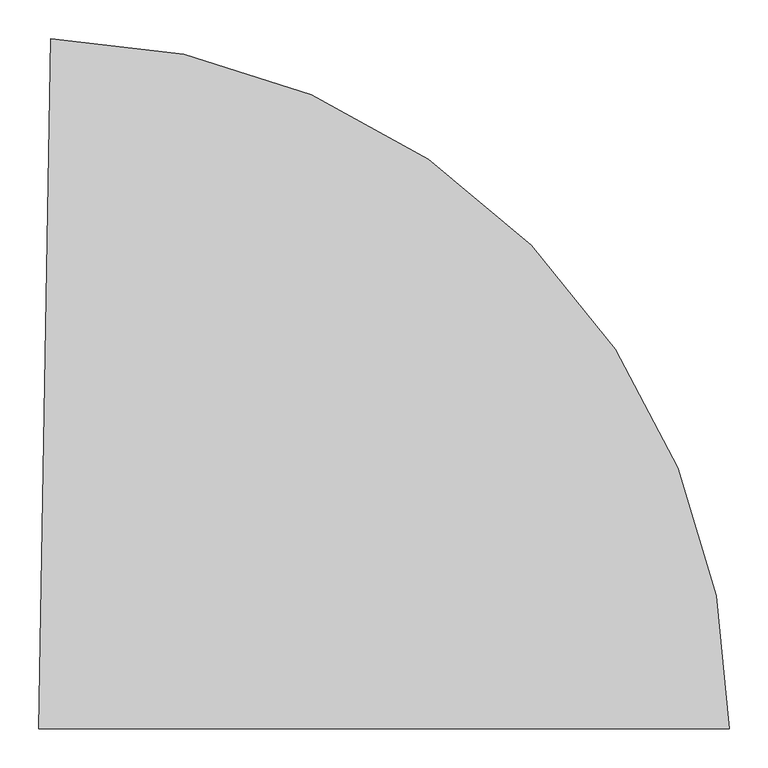
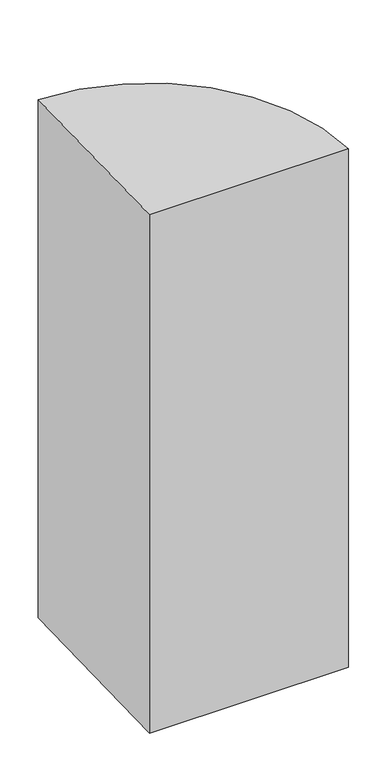
"""IFC4 building model written with IfcOpenShell, lengths in millimetres: proxy geometry."""

import ifcopenshell
import ifcopenshell.guid

model = None  # the IFC model being written
_history = None  # IfcOwnerHistory: only IFC2X3 demands one
_inside = {}  # id of a spatial element -> (the spatial element, [elements in it])
_under = {}  # id of a project, library or spatial element -> (it, [spatial elements below it])
_declared = {}  # id of a project -> (the project, [libraries it declares])
_typed = {}  # id of a type object -> (the type object, [elements of that type])
_made_of = {}  # id of a material, layer set ... -> (it, [elements and type objects made of it])


def new_model(schema):
    """Start an empty IFC model of exactly this schema.

    Asked for "IFC4X3", IfcOpenShell would pick the latest addendum, in which some entities
    have other attributes; the version numbers below select the first issue.
    IFC2X3 requires an IfcOwnerHistory on every rooted entity: one is made here for all.
    """
    global model, _history
    if schema == "IFC4X3":
        model = ifcopenshell.file(schema_version=(4, 3, 0, 0))
    else:
        model = ifcopenshell.file(schema=schema)
    _inside.clear()
    _under.clear()
    _declared.clear()
    _typed.clear()
    _made_of.clear()
    _history = None
    if model.schema == "IFC2X3":
        org = make("IfcOrganization", Name="unknown")
        user = make(
            "IfcPersonAndOrganization",
            ThePerson=make("IfcPerson", FamilyName="unknown"),
            TheOrganization=org,
        )
        app = make(
            "IfcApplication",
            ApplicationDeveloper=org,
            Version="unknown",
            ApplicationFullName="unknown",
            ApplicationIdentifier="unknown",
        )
        _history = make(
            "IfcOwnerHistory",
            OwningUser=user,
            OwningApplication=app,
            ChangeAction="ADDED",
            CreationDate=0,
        )
    return model


def make(cls, **values):
    """One entity of the class cls with the attributes given. An attribute that is None is left unset."""
    return model.create_entity(
        cls, **{name: value for name, value in values.items() if value is not None}
    )


def rooted(cls, **values):
    """An entity with a GlobalId (a new one), such as an element, a storey or a relation."""
    return make(cls, GlobalId=ifcopenshell.guid.new(), OwnerHistory=_history, **values)


def si_unit(unit_type, name, prefix=None):
    """IfcSIUnit, for example si_unit("LENGTHUNIT", "METRE", prefix="MILLI")."""
    return make("IfcSIUnit", UnitType=unit_type, Prefix=prefix, Name=name)


def assignment(units):
    """IfcUnitAssignment: the units of a project."""
    return None if units is None else make("IfcUnitAssignment", Units=units)


def point(xyz):
    """IfcCartesianPoint."""
    return None if xyz is None else make("IfcCartesianPoint", Coordinates=xyz)


def direction(xyz):
    """IfcDirection."""
    return None if xyz is None else make("IfcDirection", DirectionRatios=xyz)


def frame(location, z_axis=None, x_axis=None):
    """IfcAxis2Placement3D, a coordinate frame: its origin and axes. An axis left out is left unset."""
    return make(
        "IfcAxis2Placement3D",
        Location=point(location),
        Axis=direction(z_axis),
        RefDirection=direction(x_axis),
    )


def frame_2d(location, x_axis=None):
    """IfcAxis2Placement2D, a coordinate frame in the plane: its origin and x axis."""
    return make(
        "IfcAxis2Placement2D", Location=point(location), RefDirection=direction(x_axis)
    )


def origin():
    """The frame at (0, 0, 0) with its axes left unset."""
    return frame((0.0, 0.0, 0.0))


def origin_with_axes():
    """The frame at (0, 0, 0) with the z axis (0, 0, 1) and the x axis (1, 0, 0) written out."""
    return frame((0.0, 0.0, 0.0), z_axis=(0.0, 0.0, 1.0), x_axis=(1.0, 0.0, 0.0))


def origin_2d():
    """The frame at (0, 0) in the plane with its x axis left unset."""
    return frame_2d((0.0, 0.0))


def place(relative_to, where):
    """IfcLocalPlacement: puts the frame where relative to a parent placement (None: the world)."""
    return make(
        "IfcLocalPlacement", PlacementRelTo=relative_to, RelativePlacement=where
    )


def context(
    kind, dimensions, precision=None, world=None, true_north=None, identifier=None
):
    """IfcGeometricRepresentationContext, for example the 3D "Model" context."""
    return make(
        "IfcGeometricRepresentationContext",
        ContextIdentifier=identifier,
        ContextType=kind,
        CoordinateSpaceDimension=dimensions,
        Precision=precision,
        WorldCoordinateSystem=world,
        TrueNorth=true_north,
    )


def project(units=None, contexts=None):
    """IfcProject with its units and contexts."""
    return rooted(
        "IfcProject",
        Name="project",
        RepresentationContexts=contexts,
        UnitsInContext=assignment(units),
    )


def spatial(cls, under=None, at=None, **own):
    """A site, building, storey or space (cls), placed at a placement, below another one or the project."""
    s = rooted(cls, ObjectPlacement=at, **own)
    if under is not None:
        _under.setdefault(under.id(), (under, []))[1].append(s)
    return s


def polyline(points):
    """IfcPolyline through the points."""
    return make("IfcPolyline", Points=[point(p) for p in points])


def circle_curve(where, radius):
    """IfcCircle in the frame where."""
    return make("IfcCircle", Position=where, Radius=radius)


def trimmed(basis, trim1, trim2, sense, master):
    """IfcTrimmedCurve: the piece of a basis curve between two trims."""
    return make(
        "IfcTrimmedCurve",
        BasisCurve=basis,
        Trim1=trim1,
        Trim2=trim2,
        SenseAgreement=sense,
        MasterRepresentation=master,
    )


def segment(curve, same_sense, transition):
    """IfcCompositeCurveSegment."""
    return make(
        "IfcCompositeCurveSegment",
        Transition=transition,
        SameSense=same_sense,
        ParentCurve=curve,
    )


def composite_curve(segments, self_intersect=None):
    """IfcCompositeCurve: segments joined end to end."""
    return make("IfcCompositeCurve", Segments=segments, SelfIntersect=self_intersect)


def outline(outer, holes=None, kind="AREA"):
    """IfcArbitraryClosedProfileDef: a profile drawn as a closed curve; with holes, ...WithVoids."""
    if holes is None:
        return make("IfcArbitraryClosedProfileDef", ProfileType=kind, OuterCurve=outer)
    return make(
        "IfcArbitraryProfileDefWithVoids",
        ProfileType=kind,
        OuterCurve=outer,
        InnerCurves=holes,
    )


def extrude(swept, where, along, depth):
    """IfcExtrudedAreaSolid: the profile swept, set in the frame where, extruded along a direction by depth."""
    return make(
        "IfcExtrudedAreaSolid",
        SweptArea=swept,
        Position=where,
        ExtrudedDirection=direction(along),
        Depth=depth,
    )


def shape(context_of_items, identifier, shape_type, items):
    """IfcShapeRepresentation: the items that make up one representation, for example the "Body"."""
    return make(
        "IfcShapeRepresentation",
        ContextOfItems=context_of_items,
        RepresentationIdentifier=identifier,
        RepresentationType=shape_type,
        Items=items,
    )


def source(mapping_origin, context_of_items, identifier, shape_type, items):
    """IfcRepresentationMap: a shape defined once, which mapped items show again and again."""
    return make(
        "IfcRepresentationMap",
        MappingOrigin=mapping_origin,
        MappedRepresentation=shape(context_of_items, identifier, shape_type, items),
    )


def transform(
    local_origin,
    x_axis=None,
    y_axis=None,
    z_axis=None,
    scale=None,
    scale2=None,
    scale3=None,
    uniform=True,
):
    """IfcCartesianTransformationOperator3D, or its non-uniform kind. x_axis, y_axis, z_axis: its Axis1, 2, 3."""
    if uniform:
        return make(
            "IfcCartesianTransformationOperator3D",
            Axis1=direction(x_axis),
            Axis2=direction(y_axis),
            LocalOrigin=point(local_origin),
            Scale=scale,
            Axis3=direction(z_axis),
        )
    return make(
        "IfcCartesianTransformationOperator3DnonUniform",
        Axis1=direction(x_axis),
        Axis2=direction(y_axis),
        LocalOrigin=point(local_origin),
        Scale=scale,
        Axis3=direction(z_axis),
        Scale2=scale2,
        Scale3=scale3,
    )


def mapped(mapping_source, mapping_target):
    """IfcMappedItem: shows the shape of a source again, moved by a transform."""
    return make(
        "IfcMappedItem", MappingSource=mapping_source, MappingTarget=mapping_target
    )


def made_of(thing, what):
    """Note that an element or type object is made of a material, layer set ...; save() writes the relation."""
    if what is not None:
        _made_of.setdefault(what.id(), (what, []))[1].append(thing)
    return thing


def element(
    cls,
    number,
    at=None,
    inside=None,
    cuts=None,
    type_object=None,
    material=None,
    context=None,
    identifier="Body",
    shape_type=None,
    held_by="IfcProductDefinitionShape",
    body=None,
    shapes=None,
    **own,
):
    """One element of the class cls, such as IfcWall. Its Tag is "e" and its number.

    at: its placement. inside: the storey or other place that contains it. cuts: it is an
    opening in that element (IfcRelVoidsElement). A single representation is given by context,
    identifier, shape_type and body (its items); several are given by shapes. held_by: the class
    of the entity that holds the representations. save() writes the other relations.
    """
    e = rooted(cls, Tag="e%d" % number, ObjectPlacement=at, **own)
    if body is not None:
        shapes = [shape(context, identifier, shape_type, body)]
    if shapes is not None:
        e.Representation = make(held_by, Representations=shapes)
    if inside is not None:
        _inside.setdefault(inside.id(), (inside, []))[1].append(e)
    if cuts is not None:
        rooted(
            "IfcRelVoidsElement", RelatingBuildingElement=cuts, RelatedOpeningElement=e
        )
    if type_object is not None:
        _typed.setdefault(type_object.id(), (type_object, []))[1].append(e)
    return made_of(e, material)


def aggregate(whole, parts):
    """IfcRelAggregates: a whole, such as a stair, and the parts it consists of."""
    return rooted("IfcRelAggregates", RelatingObject=whole, RelatedObjects=parts)


def save(model, path):
    """Write the relations noted so far, then the file.

    IfcRelAggregates (storeys below a building ...), IfcRelContainedInSpatialStructure (elements
    in a storey), IfcRelDefinesByType, IfcRelAssociatesMaterial and IfcRelDeclares: one each for
    every whole, place, type object, material and project.
    """
    for whole, parts in _under.values():
        aggregate(whole, parts)
    for where, things in _inside.values():
        rooted(
            "IfcRelContainedInSpatialStructure",
            RelatedElements=things,
            RelatingStructure=where,
        )
    for kind, things in _typed.values():
        rooted("IfcRelDefinesByType", RelatedObjects=things, RelatingType=kind)
    for what, things in _made_of.values():
        rooted("IfcRelAssociatesMaterial", RelatedObjects=things, RelatingMaterial=what)
    for by, libraries in _declared.values():
        rooted("IfcRelDeclares", RelatingContext=by, RelatedDefinitions=libraries)
    model.write(path)


def generic_models_4d5c3aec(model_context):
    return source(origin(), model_context, "Body", "SweptSolid", [
        extrude(outline(composite_curve([segment(polyline([(0.0, 0.0), (15.5588203, 891.3642202)]), True, "CONTINUOUS"), segment(trimmed(circle_curve(origin_2d(), 891.5), [point((15.5588203, 891.3642202))], [point((891.5, 0.0))], False, "CARTESIAN"), True, "CONTINUOUS"), segment(polyline([(891.5, 0.0), (0.0, 0.0)]), True, "CONTINUOUS")], self_intersect=False)), origin_with_axes(), (0.0, 0.0, 1.0), 2457.0),
    ])


if __name__ == "__main__":
    model = new_model("IFC4")
    model_context = context("Model", 3, world=origin())
    ifc_project = project(units=[si_unit("LENGTHUNIT", "METRE", prefix="MILLI")], contexts=[model_context])
    site = spatial("IfcSite", under=ifc_project)
    building = spatial("IfcBuilding", under=site)
    placement = place(None, origin())
    generic_models_shape = generic_models_4d5c3aec(model_context)
    element("IfcBuildingElementProxy", 1, Name="Generic Models", at=placement, inside=building, context=model_context, shape_type="MappedRepresentation", body=[
        mapped(generic_models_shape, transform((0.0, 0.0, 0.0), x_axis=(1.0, 0.0, 0.0), y_axis=(0.0, 1.0, 0.0), z_axis=(0.0, 0.0, 1.0))),
    ])
    save(model, "model.ifc")
